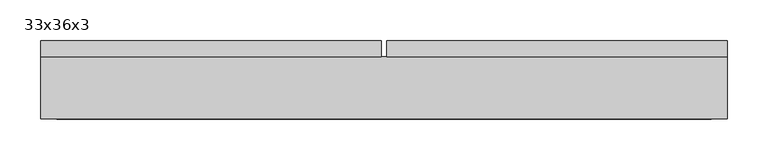
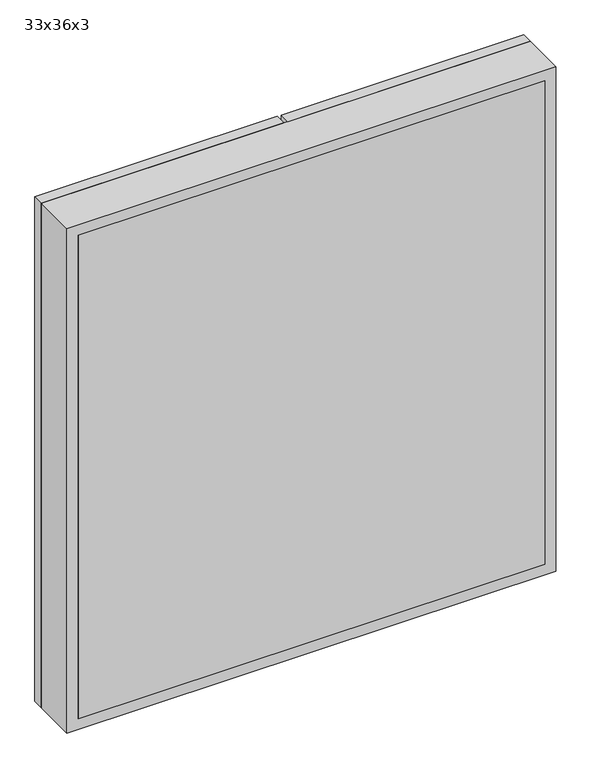
"""IFC4 building model written with IfcOpenShell, lengths in millimetres: furniture geometry, 33x36x3."""

from ifc_helpers import new_model, si_unit, frame, origin, place, context, project, spatial, polyline, outline, extrude, source, transform, mapped, element, save


def furniture_33x36x3_26fcd653(model_context):
    return source(origin(), model_context, "Body", "SweptSolid", [
        extrude(outline(polyline([(2133.6, 32.9461628), (1219.2, 32.9461628), (1219.2, 448.8711628), (2133.6, 448.8711628), (2133.6, 32.9461628)]), holes=[polyline([(2070.1, 96.4461628), (2070.1, 385.3711628), (1282.7, 385.3711628), (1282.7, 96.4461628), (2070.1, 96.4461628)])]), frame((0.0, 158.75, 0.0), z_axis=(0.0, 1.0, 0.0), x_axis=(0.0, 0.0, 1.0)), (0.0, 0.0, 1.0), 19.05),
        extrude(outline(polyline([(2133.6, 26.5961628), (2133.6, -389.3288372), (1219.2, -389.3288372), (1219.2, 26.5961628), (2133.6, 26.5961628)]), holes=[polyline([(2070.1, -36.9038372), (1282.7, -36.9038372), (1282.7, -325.8288372), (2070.1, -325.8288372), (2070.1, -36.9038372)])]), frame((0.0, 158.75, 0.0), z_axis=(0.0, 1.0, 0.0), x_axis=(0.0, 0.0, 1.0)), (0.0, 0.0, 1.0), 19.05),
        extrude(outline(polyline([(429.8211628, 82.55), (-370.2788372, 82.55), (-370.2788372, 101.6), (429.8211628, 101.6), (429.8211628, 82.55)])), frame((0.0, 0.0, 1238.25), z_axis=(0.0, 0.0, 1.0), x_axis=(1.0, 0.0, 0.0)), (0.0, 0.0, 1.0), 876.3),
        extrude(outline(polyline([(2133.6, -389.3288372), (1219.2, -389.3288372), (1219.2, 448.8711628), (2133.6, 448.8711628), (2133.6, -389.3288372)]), holes=[polyline([(2114.55, -370.2788372), (2114.55, 429.8211628), (1238.25, 429.8211628), (1238.25, -370.2788372), (2114.55, -370.2788372)])]), frame((0.0, 82.55, 0.0), z_axis=(0.0, 1.0, 0.0), x_axis=(0.0, 0.0, 1.0)), (0.0, 0.0, 1.0), 76.2),
        extrude(outline(polyline([(96.4461628, 174.625), (385.3711628, 174.625), (385.3711628, 171.45), (96.4461628, 171.45), (96.4461628, 174.625)])), frame((0.0, 0.0, 1282.7), z_axis=(0.0, 0.0, 1.0), x_axis=(1.0, 0.0, 0.0)), (0.0, 0.0, 1.0), 787.4),
        extrude(outline(polyline([(-325.8288372, 174.625), (-36.9038372, 174.625), (-36.9038372, 171.45), (-325.8288372, 171.45), (-325.8288372, 174.625)])), frame((0.0, 0.0, 1282.7), z_axis=(0.0, 0.0, 1.0), x_axis=(1.0, 0.0, 0.0)), (0.0, 0.0, 1.0), 787.4),
    ])


if __name__ == "__main__":
    model = new_model("IFC4")
    model_context = context("Model", 3, world=origin())
    ifc_project = project(units=[si_unit("LENGTHUNIT", "METRE", prefix="MILLI")], contexts=[model_context])
    site = spatial("IfcSite", under=ifc_project)
    building = spatial("IfcBuilding", under=site)
    placement = place(None, origin())
    furniture_33x36x3_shape = furniture_33x36x3_26fcd653(model_context)
    element("IfcFurniture", 1, ObjectType="33x36x3", at=placement, inside=building, context=model_context, shape_type="MappedRepresentation", body=[
        mapped(furniture_33x36x3_shape, transform((0.0, 0.0, 0.0), x_axis=(1.0, 0.0, 0.0), y_axis=(0.0, 1.0, 0.0), z_axis=(0.0, 0.0, 1.0))),
    ])
    save(model, "model.ifc")
